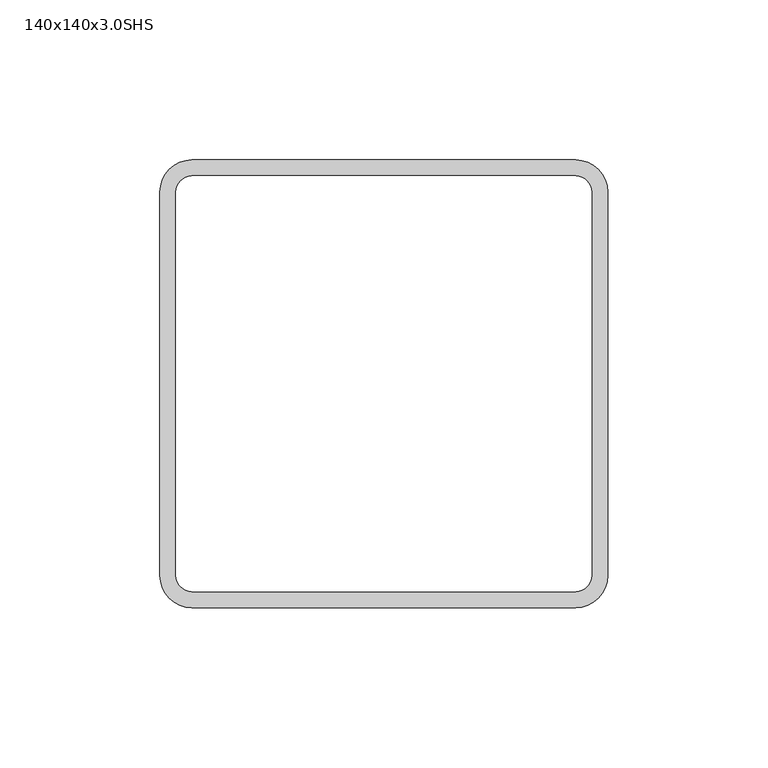
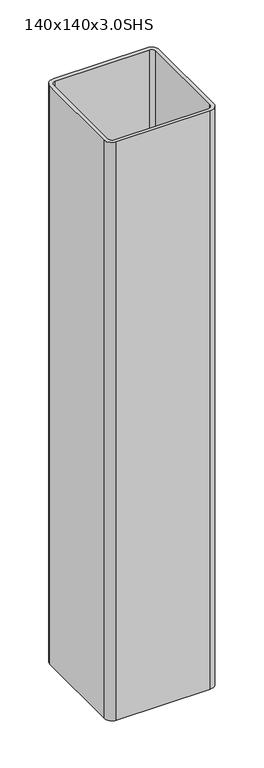
"""IFC4 building model written with IfcOpenShell, lengths in millimetres: column geometry, 140x140x3.0SHS."""

from ifc_helpers import new_model, si_unit, point, frame, frame_2d, origin, place, context, project, spatial, polyline, circle_curve, trimmed, segment, composite_curve, outline, extrude, source, transform, mapped, element, save


def column_140x140x3_0shs_9a11f848(model_context):
    return source(origin(), model_context, "Body", "SweptSolid", [
        extrude(outline(composite_curve([segment(trimmed(circle_curve(frame_2d((60.0, 60.0)), 10.0), [point((60.0, 70.0))], [point((70.0, 60.0))], False, "CARTESIAN"), True, "CONTINUOUS"), segment(polyline([(70.0, 60.0), (70.0, -60.0)]), True, "CONTINUOUS"), segment(trimmed(circle_curve(frame_2d((60.0, -60.0)), 10.0), [point((70.0, -60.0))], [point((60.0, -70.0))], False, "CARTESIAN"), True, "CONTINUOUS"), segment(polyline([(60.0, -70.0), (-60.0, -70.0)]), True, "CONTINUOUS"), segment(trimmed(circle_curve(frame_2d((-60.0, -60.0)), 10.0), [point((-60.0, -70.0))], [point((-70.0, -60.0))], False, "CARTESIAN"), True, "CONTINUOUS"), segment(polyline([(-70.0, -60.0), (-70.0, 60.0)]), True, "CONTINUOUS"), segment(trimmed(circle_curve(frame_2d((-60.0, 60.0)), 10.0), [point((-70.0, 60.0))], [point((-60.0, 70.0))], False, "CARTESIAN"), True, "CONTINUOUS"), segment(polyline([(-60.0, 70.0), (60.0, 70.0)]), True, "CONTINUOUS")], self_intersect=False), holes=[composite_curve([segment(polyline([(60.0, 65.0), (-60.0, 65.0)]), True, "CONTINUOUS"), segment(trimmed(circle_curve(frame_2d((-60.0, 60.0)), 5.0), [point((-60.0, 65.0))], [point((-65.0, 60.0))], True, "CARTESIAN"), True, "CONTINUOUS"), segment(polyline([(-65.0, 60.0), (-65.0, -60.0)]), True, "CONTINUOUS"), segment(trimmed(circle_curve(frame_2d((-60.0, -60.0)), 5.0), [point((-65.0, -60.0))], [point((-60.0, -65.0))], True, "CARTESIAN"), True, "CONTINUOUS"), segment(polyline([(-60.0, -65.0), (60.0, -65.0)]), True, "CONTINUOUS"), segment(trimmed(circle_curve(frame_2d((60.0, -60.0)), 5.0), [point((60.0, -65.0))], [point((65.0, -60.0))], True, "CARTESIAN"), True, "CONTINUOUS"), segment(polyline([(65.0, -60.0), (65.0, 60.0)]), True, "CONTINUOUS"), segment(trimmed(circle_curve(frame_2d((60.0, 60.0)), 5.0), [point((65.0, 60.0))], [point((60.0, 65.0))], True, "CARTESIAN"), True, "CONTINUOUS")], self_intersect=False)]), frame((0.0, 0.0, 20.0), z_axis=(0.0, 0.0, 1.0), x_axis=(1.0, 0.0, 0.0)), (0.0, 0.0, 1.0), 780.0),
    ])


if __name__ == "__main__":
    model = new_model("IFC4")
    model_context = context("Model", 3, world=origin())
    ifc_project = project(units=[si_unit("LENGTHUNIT", "METRE", prefix="MILLI")], contexts=[model_context])
    site = spatial("IfcSite", under=ifc_project)
    building = spatial("IfcBuilding", under=site)
    placement = place(None, origin())
    column_140x140x3_0shs_shape = column_140x140x3_0shs_9a11f848(model_context)
    element("IfcColumn", 1, ObjectType="140x140x3.0SHS", at=placement, inside=building, context=model_context, shape_type="MappedRepresentation", body=[
        mapped(column_140x140x3_0shs_shape, transform((0.0, 0.0, 0.0), x_axis=(1.0, 0.0, 0.0), y_axis=(0.0, 1.0, 0.0), z_axis=(0.0, 0.0, 1.0))),
    ])
    save(model, "model.ifc")
